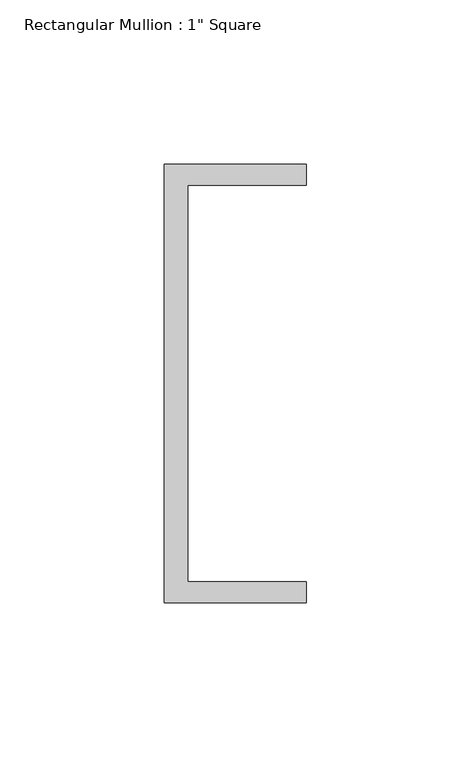
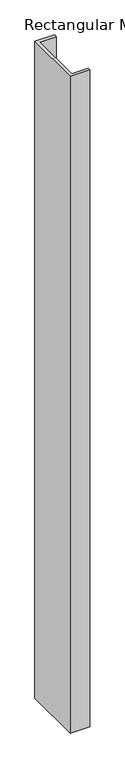
"""IFC4 building model written with IfcOpenShell, lengths in millimetres: member geometry."""

from ifc_helpers import new_model, si_unit, frame, origin, place, context, project, spatial, polyline, outline, extrude, source, transform, mapped, element, save


def member_1938502d(model_context):
    return source(origin(), model_context, "Body", "SweptSolid", [
        extrude(outline(polyline([(-18.6549463, 135.2608739), (24.5675083, 135.2608739), (24.5675083, 128.9108739), (-11.6110886, 128.9108739), (-11.6110886, 8.2608739), (24.5675083, 8.2608739), (24.5675083, 1.9108739), (-18.6549463, 1.9108739), (-18.6549463, 135.2608739)])), frame((0.0, 0.0, -1520.86996), z_axis=(0.0, 0.0, 1.0), x_axis=(1.0, 0.0, 0.0)), (0.0, 0.0, 1.0), 1520.86996),
    ])


if __name__ == "__main__":
    model = new_model("IFC4")
    model_context = context("Model", 3, world=origin())
    ifc_project = project(units=[si_unit("LENGTHUNIT", "METRE", prefix="MILLI")], contexts=[model_context])
    site = spatial("IfcSite", under=ifc_project)
    building = spatial("IfcBuilding", under=site)
    placement = place(None, origin())
    member_shape = member_1938502d(model_context)
    element("IfcMember", 1, ObjectType="Rectangular Mullion : 1\" Square", at=placement, inside=building, context=model_context, shape_type="MappedRepresentation", body=[
        mapped(member_shape, transform((0.0, 0.0, 0.0), x_axis=(1.0, 0.0, 0.0), y_axis=(0.0, 1.0, 0.0), z_axis=(0.0, 0.0, 1.0))),
    ])
    save(model, "model.ifc")
